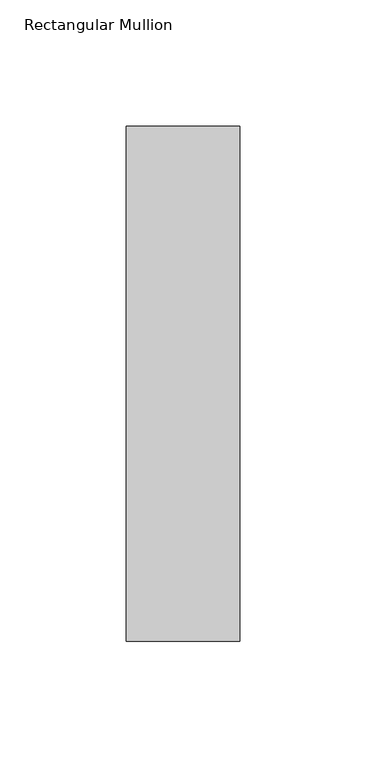
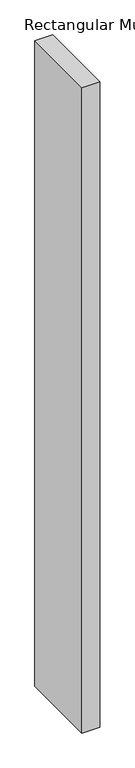
"""IFC4 building model written with IfcOpenShell, lengths in millimetres: member geometry, Rectangular Mullion."""

from ifc_helpers import new_model, si_unit, frame, origin, place, context, project, spatial, polyline, outline, extrude, source, transform, mapped, element, save


def rectangular_mullion_08146731(model_context):
    return source(origin(), model_context, "Body", "SweptSolid", [
        extrude(outline(polyline([(22.5, 167.525), (22.5, -36.525), (-22.5, -36.525), (-22.5, 167.525), (22.5, 167.525)])), frame((0.0, 0.0, -1708.8912252), z_axis=(0.0, 0.0, 1.0), x_axis=(1.0, 0.0, 0.0)), (0.0, 0.0, 1.0), 1708.8912252),
    ])


if __name__ == "__main__":
    model = new_model("IFC4")
    model_context = context("Model", 3, world=origin())
    ifc_project = project(units=[si_unit("LENGTHUNIT", "METRE", prefix="MILLI")], contexts=[model_context])
    site = spatial("IfcSite", under=ifc_project)
    building = spatial("IfcBuilding", under=site)
    placement = place(None, origin())
    rectangular_mullion_shape = rectangular_mullion_08146731(model_context)
    element("IfcMember", 1, ObjectType="Rectangular Mullion", at=placement, inside=building, context=model_context, shape_type="MappedRepresentation", body=[
        mapped(rectangular_mullion_shape, transform((0.0, 0.0, 0.0), x_axis=(1.0, 0.0, 0.0), y_axis=(0.0, 1.0, 0.0), z_axis=(0.0, 0.0, 1.0))),
    ])
    save(model, "model.ifc")
